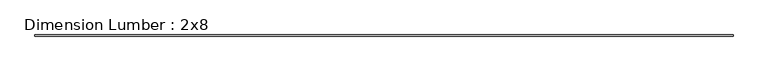
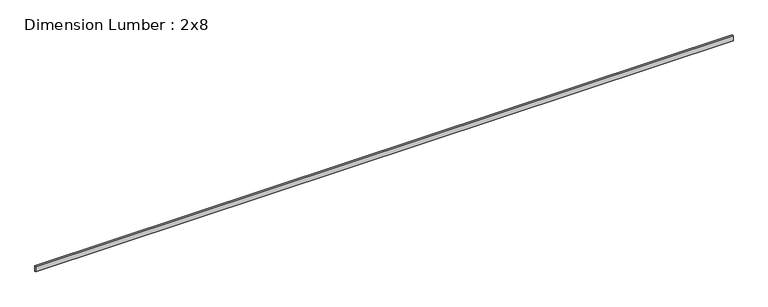
"""IFC4 building model written with IfcOpenShell, lengths in millimetres: beam geometry, Dimension Lumber : 2x8."""

import ifcopenshell
import ifcopenshell.guid

model = None  # the IFC model being written
_history = None  # IfcOwnerHistory: only IFC2X3 demands one
_inside = {}  # id of a spatial element -> (the spatial element, [elements in it])
_under = {}  # id of a project, library or spatial element -> (it, [spatial elements below it])
_declared = {}  # id of a project -> (the project, [libraries it declares])
_typed = {}  # id of a type object -> (the type object, [elements of that type])
_made_of = {}  # id of a material, layer set ... -> (it, [elements and type objects made of it])


def new_model(schema):
    """Start an empty IFC model of exactly this schema.

    Asked for "IFC4X3", IfcOpenShell would pick the latest addendum, in which some entities
    have other attributes; the version numbers below select the first issue.
    IFC2X3 requires an IfcOwnerHistory on every rooted entity: one is made here for all.
    """
    global model, _history
    if schema == "IFC4X3":
        model = ifcopenshell.file(schema_version=(4, 3, 0, 0))
    else:
        model = ifcopenshell.file(schema=schema)
    _inside.clear()
    _under.clear()
    _declared.clear()
    _typed.clear()
    _made_of.clear()
    _history = None
    if model.schema == "IFC2X3":
        org = make("IfcOrganization", Name="unknown")
        user = make(
            "IfcPersonAndOrganization",
            ThePerson=make("IfcPerson", FamilyName="unknown"),
            TheOrganization=org,
        )
        app = make(
            "IfcApplication",
            ApplicationDeveloper=org,
            Version="unknown",
            ApplicationFullName="unknown",
            ApplicationIdentifier="unknown",
        )
        _history = make(
            "IfcOwnerHistory",
            OwningUser=user,
            OwningApplication=app,
            ChangeAction="ADDED",
            CreationDate=0,
        )
    return model


def make(cls, **values):
    """One entity of the class cls with the attributes given. An attribute that is None is left unset."""
    return model.create_entity(
        cls, **{name: value for name, value in values.items() if value is not None}
    )


def rooted(cls, **values):
    """An entity with a GlobalId (a new one), such as an element, a storey or a relation."""
    return make(cls, GlobalId=ifcopenshell.guid.new(), OwnerHistory=_history, **values)


def si_unit(unit_type, name, prefix=None):
    """IfcSIUnit, for example si_unit("LENGTHUNIT", "METRE", prefix="MILLI")."""
    return make("IfcSIUnit", UnitType=unit_type, Prefix=prefix, Name=name)


def assignment(units):
    """IfcUnitAssignment: the units of a project."""
    return None if units is None else make("IfcUnitAssignment", Units=units)


def point(xyz):
    """IfcCartesianPoint."""
    return None if xyz is None else make("IfcCartesianPoint", Coordinates=xyz)


def direction(xyz):
    """IfcDirection."""
    return None if xyz is None else make("IfcDirection", DirectionRatios=xyz)


def frame(location, z_axis=None, x_axis=None):
    """IfcAxis2Placement3D, a coordinate frame: its origin and axes. An axis left out is left unset."""
    return make(
        "IfcAxis2Placement3D",
        Location=point(location),
        Axis=direction(z_axis),
        RefDirection=direction(x_axis),
    )


def origin():
    """The frame at (0, 0, 0) with its axes left unset."""
    return frame((0.0, 0.0, 0.0))


def place(relative_to, where):
    """IfcLocalPlacement: puts the frame where relative to a parent placement (None: the world)."""
    return make(
        "IfcLocalPlacement", PlacementRelTo=relative_to, RelativePlacement=where
    )


def context(
    kind, dimensions, precision=None, world=None, true_north=None, identifier=None
):
    """IfcGeometricRepresentationContext, for example the 3D "Model" context."""
    return make(
        "IfcGeometricRepresentationContext",
        ContextIdentifier=identifier,
        ContextType=kind,
        CoordinateSpaceDimension=dimensions,
        Precision=precision,
        WorldCoordinateSystem=world,
        TrueNorth=true_north,
    )


def project(units=None, contexts=None):
    """IfcProject with its units and contexts."""
    return rooted(
        "IfcProject",
        Name="project",
        RepresentationContexts=contexts,
        UnitsInContext=assignment(units),
    )


def spatial(cls, under=None, at=None, **own):
    """A site, building, storey or space (cls), placed at a placement, below another one or the project."""
    s = rooted(cls, ObjectPlacement=at, **own)
    if under is not None:
        _under.setdefault(under.id(), (under, []))[1].append(s)
    return s


def polyline(points):
    """IfcPolyline through the points."""
    return make("IfcPolyline", Points=[point(p) for p in points])


def outline(outer, holes=None, kind="AREA"):
    """IfcArbitraryClosedProfileDef: a profile drawn as a closed curve; with holes, ...WithVoids."""
    if holes is None:
        return make("IfcArbitraryClosedProfileDef", ProfileType=kind, OuterCurve=outer)
    return make(
        "IfcArbitraryProfileDefWithVoids",
        ProfileType=kind,
        OuterCurve=outer,
        InnerCurves=holes,
    )


def extrude(swept, where, along, depth):
    """IfcExtrudedAreaSolid: the profile swept, set in the frame where, extruded along a direction by depth."""
    return make(
        "IfcExtrudedAreaSolid",
        SweptArea=swept,
        Position=where,
        ExtrudedDirection=direction(along),
        Depth=depth,
    )


def shape(context_of_items, identifier, shape_type, items):
    """IfcShapeRepresentation: the items that make up one representation, for example the "Body"."""
    return make(
        "IfcShapeRepresentation",
        ContextOfItems=context_of_items,
        RepresentationIdentifier=identifier,
        RepresentationType=shape_type,
        Items=items,
    )


def source(mapping_origin, context_of_items, identifier, shape_type, items):
    """IfcRepresentationMap: a shape defined once, which mapped items show again and again."""
    return make(
        "IfcRepresentationMap",
        MappingOrigin=mapping_origin,
        MappedRepresentation=shape(context_of_items, identifier, shape_type, items),
    )


def transform(
    local_origin,
    x_axis=None,
    y_axis=None,
    z_axis=None,
    scale=None,
    scale2=None,
    scale3=None,
    uniform=True,
):
    """IfcCartesianTransformationOperator3D, or its non-uniform kind. x_axis, y_axis, z_axis: its Axis1, 2, 3."""
    if uniform:
        return make(
            "IfcCartesianTransformationOperator3D",
            Axis1=direction(x_axis),
            Axis2=direction(y_axis),
            LocalOrigin=point(local_origin),
            Scale=scale,
            Axis3=direction(z_axis),
        )
    return make(
        "IfcCartesianTransformationOperator3DnonUniform",
        Axis1=direction(x_axis),
        Axis2=direction(y_axis),
        LocalOrigin=point(local_origin),
        Scale=scale,
        Axis3=direction(z_axis),
        Scale2=scale2,
        Scale3=scale3,
    )


def mapped(mapping_source, mapping_target):
    """IfcMappedItem: shows the shape of a source again, moved by a transform."""
    return make(
        "IfcMappedItem", MappingSource=mapping_source, MappingTarget=mapping_target
    )


def made_of(thing, what):
    """Note that an element or type object is made of a material, layer set ...; save() writes the relation."""
    if what is not None:
        _made_of.setdefault(what.id(), (what, []))[1].append(thing)
    return thing


def element(
    cls,
    number,
    at=None,
    inside=None,
    cuts=None,
    type_object=None,
    material=None,
    context=None,
    identifier="Body",
    shape_type=None,
    held_by="IfcProductDefinitionShape",
    body=None,
    shapes=None,
    **own,
):
    """One element of the class cls, such as IfcWall. Its Tag is "e" and its number.

    at: its placement. inside: the storey or other place that contains it. cuts: it is an
    opening in that element (IfcRelVoidsElement). A single representation is given by context,
    identifier, shape_type and body (its items); several are given by shapes. held_by: the class
    of the entity that holds the representations. save() writes the other relations.
    """
    e = rooted(cls, Tag="e%d" % number, ObjectPlacement=at, **own)
    if body is not None:
        shapes = [shape(context, identifier, shape_type, body)]
    if shapes is not None:
        e.Representation = make(held_by, Representations=shapes)
    if inside is not None:
        _inside.setdefault(inside.id(), (inside, []))[1].append(e)
    if cuts is not None:
        rooted(
            "IfcRelVoidsElement", RelatingBuildingElement=cuts, RelatedOpeningElement=e
        )
    if type_object is not None:
        _typed.setdefault(type_object.id(), (type_object, []))[1].append(e)
    return made_of(e, material)


def aggregate(whole, parts):
    """IfcRelAggregates: a whole, such as a stair, and the parts it consists of."""
    return rooted("IfcRelAggregates", RelatingObject=whole, RelatedObjects=parts)


def save(model, path):
    """Write the relations noted so far, then the file.

    IfcRelAggregates (storeys below a building ...), IfcRelContainedInSpatialStructure (elements
    in a storey), IfcRelDefinesByType, IfcRelAssociatesMaterial and IfcRelDeclares: one each for
    every whole, place, type object, material and project.
    """
    for whole, parts in _under.values():
        aggregate(whole, parts)
    for where, things in _inside.values():
        rooted(
            "IfcRelContainedInSpatialStructure",
            RelatedElements=things,
            RelatingStructure=where,
        )
    for kind, things in _typed.values():
        rooted("IfcRelDefinesByType", RelatedObjects=things, RelatingType=kind)
    for what, things in _made_of.values():
        rooted("IfcRelAssociatesMaterial", RelatedObjects=things, RelatingMaterial=what)
    for by, libraries in _declared.values():
        rooted("IfcRelDeclares", RelatingContext=by, RelatedDefinitions=libraries)
    model.write(path)


def dimension_lumber_2x8_36fa3562(model_context):
    return source(origin(), model_context, "Body", "SweptSolid", [
        extrude(outline(polyline([(11273.4231004, 19.05), (11273.4231004, -19.05), (-11273.4231004, -19.05), (-11273.4231004, 19.05), (11273.4231004, 19.05)])), frame((0.0, 0.0, -92.075), z_axis=(0.0, 0.0, 1.0), x_axis=(1.0, 0.0, 0.0)), (0.0, 0.0, 1.0), 184.15),
    ])


if __name__ == "__main__":
    model = new_model("IFC4")
    model_context = context("Model", 3, world=origin())
    ifc_project = project(units=[si_unit("LENGTHUNIT", "METRE", prefix="MILLI")], contexts=[model_context])
    site = spatial("IfcSite", under=ifc_project)
    building = spatial("IfcBuilding", under=site)
    placement = place(None, origin())
    dimension_lumber_2x8_shape = dimension_lumber_2x8_36fa3562(model_context)
    element("IfcBeam", 1, ObjectType="Dimension Lumber : 2x8", at=placement, inside=building, context=model_context, shape_type="MappedRepresentation", body=[
        mapped(dimension_lumber_2x8_shape, transform((0.0, 0.0, 0.0), x_axis=(1.0, 0.0, 0.0), y_axis=(0.0, 1.0, 0.0), z_axis=(0.0, 0.0, 1.0))),
    ])
    save(model, "model.ifc")
